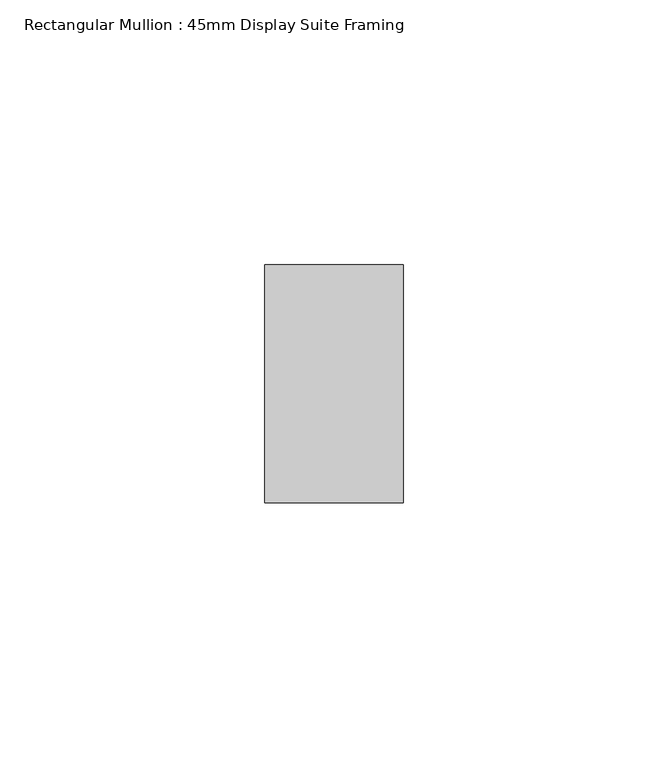
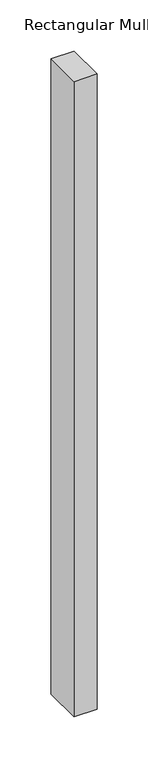
"""IFC4 building model written with IfcOpenShell, lengths in millimetres: member geometry, Rectangular Mullion : 45mm Display Suite Framing."""

import ifcopenshell
import ifcopenshell.guid

model = None  # the IFC model being written
_history = None  # IfcOwnerHistory: only IFC2X3 demands one
_inside = {}  # id of a spatial element -> (the spatial element, [elements in it])
_under = {}  # id of a project, library or spatial element -> (it, [spatial elements below it])
_declared = {}  # id of a project -> (the project, [libraries it declares])
_typed = {}  # id of a type object -> (the type object, [elements of that type])
_made_of = {}  # id of a material, layer set ... -> (it, [elements and type objects made of it])


def new_model(schema):
    """Start an empty IFC model of exactly this schema.

    Asked for "IFC4X3", IfcOpenShell would pick the latest addendum, in which some entities
    have other attributes; the version numbers below select the first issue.
    IFC2X3 requires an IfcOwnerHistory on every rooted entity: one is made here for all.
    """
    global model, _history
    if schema == "IFC4X3":
        model = ifcopenshell.file(schema_version=(4, 3, 0, 0))
    else:
        model = ifcopenshell.file(schema=schema)
    _inside.clear()
    _under.clear()
    _declared.clear()
    _typed.clear()
    _made_of.clear()
    _history = None
    if model.schema == "IFC2X3":
        org = make("IfcOrganization", Name="unknown")
        user = make(
            "IfcPersonAndOrganization",
            ThePerson=make("IfcPerson", FamilyName="unknown"),
            TheOrganization=org,
        )
        app = make(
            "IfcApplication",
            ApplicationDeveloper=org,
            Version="unknown",
            ApplicationFullName="unknown",
            ApplicationIdentifier="unknown",
        )
        _history = make(
            "IfcOwnerHistory",
            OwningUser=user,
            OwningApplication=app,
            ChangeAction="ADDED",
            CreationDate=0,
        )
    return model


def make(cls, **values):
    """One entity of the class cls with the attributes given. An attribute that is None is left unset."""
    return model.create_entity(
        cls, **{name: value for name, value in values.items() if value is not None}
    )


def rooted(cls, **values):
    """An entity with a GlobalId (a new one), such as an element, a storey or a relation."""
    return make(cls, GlobalId=ifcopenshell.guid.new(), OwnerHistory=_history, **values)


def si_unit(unit_type, name, prefix=None):
    """IfcSIUnit, for example si_unit("LENGTHUNIT", "METRE", prefix="MILLI")."""
    return make("IfcSIUnit", UnitType=unit_type, Prefix=prefix, Name=name)


def assignment(units):
    """IfcUnitAssignment: the units of a project."""
    return None if units is None else make("IfcUnitAssignment", Units=units)


def point(xyz):
    """IfcCartesianPoint."""
    return None if xyz is None else make("IfcCartesianPoint", Coordinates=xyz)


def direction(xyz):
    """IfcDirection."""
    return None if xyz is None else make("IfcDirection", DirectionRatios=xyz)


def frame(location, z_axis=None, x_axis=None):
    """IfcAxis2Placement3D, a coordinate frame: its origin and axes. An axis left out is left unset."""
    return make(
        "IfcAxis2Placement3D",
        Location=point(location),
        Axis=direction(z_axis),
        RefDirection=direction(x_axis),
    )


def origin():
    """The frame at (0, 0, 0) with its axes left unset."""
    return frame((0.0, 0.0, 0.0))


def place(relative_to, where):
    """IfcLocalPlacement: puts the frame where relative to a parent placement (None: the world)."""
    return make(
        "IfcLocalPlacement", PlacementRelTo=relative_to, RelativePlacement=where
    )


def context(
    kind, dimensions, precision=None, world=None, true_north=None, identifier=None
):
    """IfcGeometricRepresentationContext, for example the 3D "Model" context."""
    return make(
        "IfcGeometricRepresentationContext",
        ContextIdentifier=identifier,
        ContextType=kind,
        CoordinateSpaceDimension=dimensions,
        Precision=precision,
        WorldCoordinateSystem=world,
        TrueNorth=true_north,
    )


def project(units=None, contexts=None):
    """IfcProject with its units and contexts."""
    return rooted(
        "IfcProject",
        Name="project",
        RepresentationContexts=contexts,
        UnitsInContext=assignment(units),
    )


def spatial(cls, under=None, at=None, **own):
    """A site, building, storey or space (cls), placed at a placement, below another one or the project."""
    s = rooted(cls, ObjectPlacement=at, **own)
    if under is not None:
        _under.setdefault(under.id(), (under, []))[1].append(s)
    return s


def polyline(points):
    """IfcPolyline through the points."""
    return make("IfcPolyline", Points=[point(p) for p in points])


def outline(outer, holes=None, kind="AREA"):
    """IfcArbitraryClosedProfileDef: a profile drawn as a closed curve; with holes, ...WithVoids."""
    if holes is None:
        return make("IfcArbitraryClosedProfileDef", ProfileType=kind, OuterCurve=outer)
    return make(
        "IfcArbitraryProfileDefWithVoids",
        ProfileType=kind,
        OuterCurve=outer,
        InnerCurves=holes,
    )


def extrude(swept, where, along, depth):
    """IfcExtrudedAreaSolid: the profile swept, set in the frame where, extruded along a direction by depth."""
    return make(
        "IfcExtrudedAreaSolid",
        SweptArea=swept,
        Position=where,
        ExtrudedDirection=direction(along),
        Depth=depth,
    )


def shape(context_of_items, identifier, shape_type, items):
    """IfcShapeRepresentation: the items that make up one representation, for example the "Body"."""
    return make(
        "IfcShapeRepresentation",
        ContextOfItems=context_of_items,
        RepresentationIdentifier=identifier,
        RepresentationType=shape_type,
        Items=items,
    )


def source(mapping_origin, context_of_items, identifier, shape_type, items):
    """IfcRepresentationMap: a shape defined once, which mapped items show again and again."""
    return make(
        "IfcRepresentationMap",
        MappingOrigin=mapping_origin,
        MappedRepresentation=shape(context_of_items, identifier, shape_type, items),
    )


def transform(
    local_origin,
    x_axis=None,
    y_axis=None,
    z_axis=None,
    scale=None,
    scale2=None,
    scale3=None,
    uniform=True,
):
    """IfcCartesianTransformationOperator3D, or its non-uniform kind. x_axis, y_axis, z_axis: its Axis1, 2, 3."""
    if uniform:
        return make(
            "IfcCartesianTransformationOperator3D",
            Axis1=direction(x_axis),
            Axis2=direction(y_axis),
            LocalOrigin=point(local_origin),
            Scale=scale,
            Axis3=direction(z_axis),
        )
    return make(
        "IfcCartesianTransformationOperator3DnonUniform",
        Axis1=direction(x_axis),
        Axis2=direction(y_axis),
        LocalOrigin=point(local_origin),
        Scale=scale,
        Axis3=direction(z_axis),
        Scale2=scale2,
        Scale3=scale3,
    )


def mapped(mapping_source, mapping_target):
    """IfcMappedItem: shows the shape of a source again, moved by a transform."""
    return make(
        "IfcMappedItem", MappingSource=mapping_source, MappingTarget=mapping_target
    )


def made_of(thing, what):
    """Note that an element or type object is made of a material, layer set ...; save() writes the relation."""
    if what is not None:
        _made_of.setdefault(what.id(), (what, []))[1].append(thing)
    return thing


def element(
    cls,
    number,
    at=None,
    inside=None,
    cuts=None,
    type_object=None,
    material=None,
    context=None,
    identifier="Body",
    shape_type=None,
    held_by="IfcProductDefinitionShape",
    body=None,
    shapes=None,
    **own,
):
    """One element of the class cls, such as IfcWall. Its Tag is "e" and its number.

    at: its placement. inside: the storey or other place that contains it. cuts: it is an
    opening in that element (IfcRelVoidsElement). A single representation is given by context,
    identifier, shape_type and body (its items); several are given by shapes. held_by: the class
    of the entity that holds the representations. save() writes the other relations.
    """
    e = rooted(cls, Tag="e%d" % number, ObjectPlacement=at, **own)
    if body is not None:
        shapes = [shape(context, identifier, shape_type, body)]
    if shapes is not None:
        e.Representation = make(held_by, Representations=shapes)
    if inside is not None:
        _inside.setdefault(inside.id(), (inside, []))[1].append(e)
    if cuts is not None:
        rooted(
            "IfcRelVoidsElement", RelatingBuildingElement=cuts, RelatedOpeningElement=e
        )
    if type_object is not None:
        _typed.setdefault(type_object.id(), (type_object, []))[1].append(e)
    return made_of(e, material)


def aggregate(whole, parts):
    """IfcRelAggregates: a whole, such as a stair, and the parts it consists of."""
    return rooted("IfcRelAggregates", RelatingObject=whole, RelatedObjects=parts)


def save(model, path):
    """Write the relations noted so far, then the file.

    IfcRelAggregates (storeys below a building ...), IfcRelContainedInSpatialStructure (elements
    in a storey), IfcRelDefinesByType, IfcRelAssociatesMaterial and IfcRelDeclares: one each for
    every whole, place, type object, material and project.
    """
    for whole, parts in _under.values():
        aggregate(whole, parts)
    for where, things in _inside.values():
        rooted(
            "IfcRelContainedInSpatialStructure",
            RelatedElements=things,
            RelatingStructure=where,
        )
    for kind, things in _typed.values():
        rooted("IfcRelDefinesByType", RelatedObjects=things, RelatingType=kind)
    for what, things in _made_of.values():
        rooted("IfcRelAssociatesMaterial", RelatedObjects=things, RelatingMaterial=what)
    for by, libraries in _declared.values():
        rooted("IfcRelDeclares", RelatingContext=by, RelatedDefinitions=libraries)
    model.write(path)


def rectangular_mullion_45mm_display_suite_framing_61e9f3c2(model_context):
    return source(origin(), model_context, "Body", "SweptSolid", [
        extrude(outline(polyline([(13.1, 22.5), (13.1, -22.5), (-13.1, -22.5), (-13.1, 22.5), (13.1, 22.5)])), frame((0.0, 0.0, -760.0), z_axis=(0.0, 0.0, 1.0), x_axis=(1.0, 0.0, 0.0)), (0.0, 0.0, 1.0), 760.0),
    ])


if __name__ == "__main__":
    model = new_model("IFC4")
    model_context = context("Model", 3, world=origin())
    ifc_project = project(units=[si_unit("LENGTHUNIT", "METRE", prefix="MILLI")], contexts=[model_context])
    site = spatial("IfcSite", under=ifc_project)
    building = spatial("IfcBuilding", under=site)
    placement = place(None, origin())
    rectangular_mullion_45mm_display_suite_framing_shape = rectangular_mullion_45mm_display_suite_framing_61e9f3c2(model_context)
    element("IfcMember", 1, ObjectType="Rectangular Mullion : 45mm Display Suite Framing", at=placement, inside=building, context=model_context, shape_type="MappedRepresentation", body=[
        mapped(rectangular_mullion_45mm_display_suite_framing_shape, transform((0.0, 0.0, 0.0), x_axis=(1.0, 0.0, 0.0), y_axis=(0.0, 1.0, 0.0), z_axis=(0.0, 0.0, 1.0))),
    ])
    save(model, "model.ifc")
